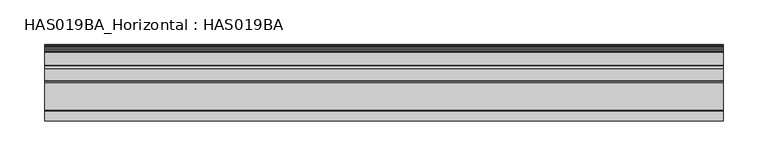
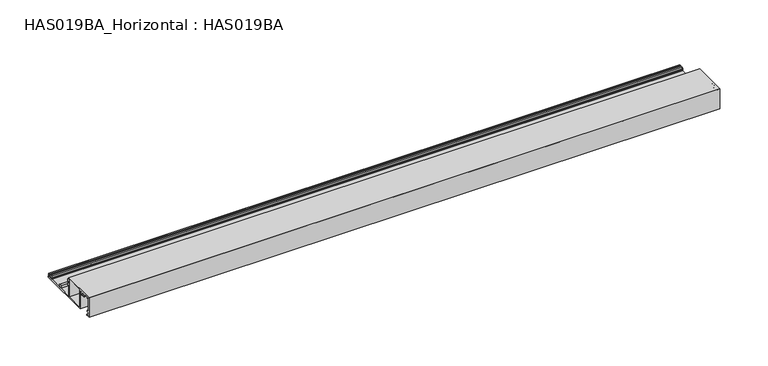
"""IFC4 building model written with IfcOpenShell, lengths in millimetres: beam geometry, HAS019BA_Horizontal : HAS019BA."""

from ifc_helpers import new_model, si_unit, point, frame, frame_2d, origin, place, context, project, spatial, polyline, circle_curve, trimmed, segment, composite_curve, outline, extrude, source, transform, mapped, element, save


def has019ba_horizontal_has019ba_af0ff6cb(model_context):
    return source(origin(), model_context, "Body", "SweptSolid", [
        extrude(outline(composite_curve([segment(polyline([(34.8878502, 2.2914045), (34.4108764, 3.1987884)]), True, "CONTINUOUS"), segment(trimmed(circle_curve(frame_2d((35.1970083, 3.362855)), 0.8030699), [point((34.4108764, 3.1987884))], [point((34.6291522, 3.9307111))], False, "CARTESIAN"), True, "CONTINUOUS"), segment(polyline([(34.6291522, 3.9307111), (35.567052, 4.868611), (37.5798426, 4.868611)]), True, "CONTINUOUS"), segment(trimmed(circle_curve(frame_2d((37.5798426, 4.5303283)), 0.3382827), [point((37.5798426, 4.868611))], [point((37.8202, 4.2922873))], False, "CARTESIAN"), True, "CONTINUOUS"), segment(trimmed(circle_curve(frame_2d((38.9613982, 3.1620875)), 1.6061397), [point((37.8202, 4.2922873))], [point((40.1369193, 4.256544))], True, "CARTESIAN"), True, "CONTINUOUS"), segment(trimmed(circle_curve(frame_2d((40.4033411, 4.5045932)), 0.3640178), [point((40.1369193, 4.256544))], [point((40.4033411, 4.868611))], False, "CARTESIAN"), True, "CONTINUOUS"), segment(polyline([(40.4033411, 4.868611), (41.563642, 4.868611)]), True, "CONTINUOUS"), segment(trimmed(circle_curve(frame_2d((38.9613982, 3.1620875)), 3.1118957), [point((41.563642, 4.868611))], [point((41.9177896, 2.1906738))], False, "CARTESIAN"), True, "CONTINUOUS"), segment(trimmed(circle_curve(frame_2d((42.3946269, 2.0339941)), 0.5019187), [point((41.9177896, 2.1906738))], [point((42.2981386, 1.5414372))], True, "CARTESIAN"), True, "CONTINUOUS"), segment(trimmed(circle_curve(frame_2d((42.1485817, 0.7779739)), 0.7779739), [point((42.2981386, 1.5414372))], [point((42.1485817, 0.0))], False, "CARTESIAN"), True, "CONTINUOUS"), segment(polyline([(42.1485817, 0.0), (-23.9792015, 0.0), (-23.9792015, 23.6448196), (-26.2756877, 23.6448196)]), True, "CONTINUOUS"), segment(trimmed(circle_curve(frame_2d((-26.2756877, 23.2432753)), 0.4015444), [point((-26.2756877, 23.6448196))], [point((-26.6384869, 23.0711864))], True, "CARTESIAN"), True, "CONTINUOUS"), segment(trimmed(circle_curve(frame_2d((-29.4501149, 21.7375287)), 3.1118957), [point((-26.6384869, 23.0711864))], [point((-27.1154358, 19.6800623))], False, "CARTESIAN"), True, "CONTINUOUS"), segment(trimmed(circle_curve(frame_2d((-27.6802775, 20.1778364)), 0.752878), [point((-27.1154358, 19.6800623))], [point((-28.2451192, 20.6756106))], False, "CARTESIAN"), True, "CONTINUOUS"), segment(trimmed(circle_curve(frame_2d((-29.4501149, 21.7375287)), 1.6061397), [point((-28.2451192, 20.6756106))], [point((-29.4086423, 23.3431329))], True, "CARTESIAN"), True, "CONTINUOUS"), segment(trimmed(circle_curve(frame_2d((-29.4501149, 21.7375287)), 1.6061397), [point((-29.4086423, 23.3431329))], [point((-30.6551106, 20.6756106))], True, "CARTESIAN"), True, "CONTINUOUS"), segment(trimmed(circle_curve(frame_2d((-31.2199523, 20.1778364)), 0.752878), [point((-30.6551106, 20.6756106))], [point((-31.784794, 19.6800623))], False, "CARTESIAN"), True, "CONTINUOUS"), segment(trimmed(circle_curve(frame_2d((-29.4501149, 21.7375287)), 3.1118957), [point((-31.784794, 19.6800623))], [point((-32.2617574, 23.0711558))], False, "CARTESIAN"), True, "CONTINUOUS"), segment(trimmed(circle_curve(frame_2d((-32.6245803, 23.2432511)), 0.4015685), [point((-32.2617574, 23.0711558))], [point((-32.6245803, 23.6448196))], True, "CARTESIAN"), True, "CONTINUOUS"), segment(polyline([(-32.6245803, 23.6448196), (-38.6352263, 23.6448196), (-38.6352263, 22.6409823)]), True, "CONTINUOUS"), segment(trimmed(circle_curve(frame_2d((-39.137145, 22.6409823)), 0.5019187), [point((-38.6352263, 22.6409823))], [point((-39.6390636, 22.6409823))], False, "CARTESIAN"), True, "CONTINUOUS"), segment(polyline([(-39.6390636, 22.6409823), (-39.6390636, 23.6448196), (-41.1448196, 23.6448196), (-41.1448196, 5.6716808), (-39.6390636, 5.6716808), (-39.6390636, 6.6755182)]), True, "CONTINUOUS"), segment(trimmed(circle_curve(frame_2d((-39.137145, 6.6755182)), 0.5019187), [point((-39.6390636, 6.6755182))], [point((-38.6352263, 6.6755182))], False, "CARTESIAN"), True, "CONTINUOUS"), segment(polyline([(-38.6352263, 6.6755182), (-38.6352263, 5.4709134)]), True, "CONTINUOUS"), segment(trimmed(circle_curve(frame_2d((-39.4382962, 5.4709134)), 0.8030699), [point((-38.6352263, 5.4709134))], [point((-39.4382962, 4.6678435))], False, "CARTESIAN"), True, "CONTINUOUS"), segment(polyline([(-39.4382962, 4.6678435), (-41.1448196, 4.6678435), (-41.1448196, 1.4053722), (-38.1834995, 1.4053722)]), True, "CONTINUOUS"), segment(trimmed(circle_curve(frame_2d((-38.1834995, 0.7026861)), 0.7026861), [point((-38.1834995, 1.4053722))], [point((-38.1834995, 0.0))], False, "CARTESIAN"), True, "CONTINUOUS"), segment(polyline([(-38.1834995, 0.0), (-42.5, 0.0), (-42.5, 25.0), (-0.238449, 25.0), (-0.238449, 22.6409823), (1.4680745, 22.6409823)]), True, "CONTINUOUS"), segment(trimmed(circle_curve(frame_2d((1.4680745, 22.1390636)), 0.5019187), [point((1.4680745, 22.6409823))], [point((1.9699931, 22.1390636))], False, "CARTESIAN"), True, "CONTINUOUS"), segment(polyline([(1.9699931, 22.1390636), (1.9699931, 20.5336914)]), True, "CONTINUOUS"), segment(trimmed(circle_curve(frame_2d((1.4680745, 20.5336914)), 0.5019187), [point((1.9699931, 20.5336914))], [point((0.9661558, 20.5336914))], False, "CARTESIAN"), True, "CONTINUOUS"), segment(polyline([(0.9661558, 20.5336914), (0.9661558, 21.3359938), (-0.4392164, 21.3359938), (-0.4392164, 16.0112052), (0.9661558, 16.0112052), (0.9661558, 16.8135076)]), True, "CONTINUOUS"), segment(trimmed(circle_curve(frame_2d((1.4680745, 16.8135076)), 0.5019187), [point((0.9661558, 16.8135076))], [point((1.9699931, 16.8135076))], False, "CARTESIAN"), True, "CONTINUOUS"), segment(polyline([(1.9699931, 16.8135076), (1.9699931, 15.2081353)]), True, "CONTINUOUS"), segment(trimmed(circle_curve(frame_2d((1.4680745, 15.2081353)), 0.5019187), [point((1.9699931, 15.2081353))], [point((1.4680745, 14.7062167))], False, "CARTESIAN"), True, "CONTINUOUS"), segment(polyline([(1.4680745, 14.7062167), (-0.238449, 14.7062167), (-0.238449, 1.5559478), (16.0237156, 1.5559478), (16.0237156, 4.868611), (18.7340763, 4.868611)]), True, "CONTINUOUS"), segment(trimmed(circle_curve(frame_2d((18.7340763, 4.2663086)), 0.6023024), [point((18.7340763, 4.868611))], [point((19.0108765, 3.7313788))], False, "CARTESIAN"), True, "CONTINUOUS"), segment(polyline([(19.0108765, 3.7313788), (17.3287041, 2.8609364), (17.3287041, 1.5559478), (34.4435728, 1.5559478)]), True, "CONTINUOUS"), segment(trimmed(circle_curve(frame_2d((34.4435728, 2.0578665)), 0.5019187), [point((34.4435728, 1.5559478))], [point((34.8878502, 2.2914045))], True, "CARTESIAN"), True, "CONTINUOUS")], self_intersect=False), holes=[polyline([(-1.7943968, 23.6448196), (-22.4232537, 23.6448196), (-22.4232537, 1.5559478), (-1.7943968, 1.5559478), (-1.7943968, 23.6448196)])]), frame((-378.7579618, 0.0, 0.0), z_axis=(1.0, 0.0, 0.0), x_axis=(0.0, 1.0, 0.0)), (0.0, 0.0, 1.0), 757.5159237),
    ])


if __name__ == "__main__":
    model = new_model("IFC4")
    model_context = context("Model", 3, world=origin())
    ifc_project = project(units=[si_unit("LENGTHUNIT", "METRE", prefix="MILLI")], contexts=[model_context])
    site = spatial("IfcSite", under=ifc_project)
    building = spatial("IfcBuilding", under=site)
    placement = place(None, origin())
    has019ba_horizontal_has019ba_shape = has019ba_horizontal_has019ba_af0ff6cb(model_context)
    element("IfcBeam", 1, ObjectType="HAS019BA_Horizontal : HAS019BA", at=placement, inside=building, context=model_context, shape_type="MappedRepresentation", body=[
        mapped(has019ba_horizontal_has019ba_shape, transform((0.0, 0.0, 0.0), x_axis=(1.0, 0.0, 0.0), y_axis=(0.0, 1.0, 0.0), z_axis=(0.0, 0.0, 1.0))),
    ])
    save(model, "model.ifc")
